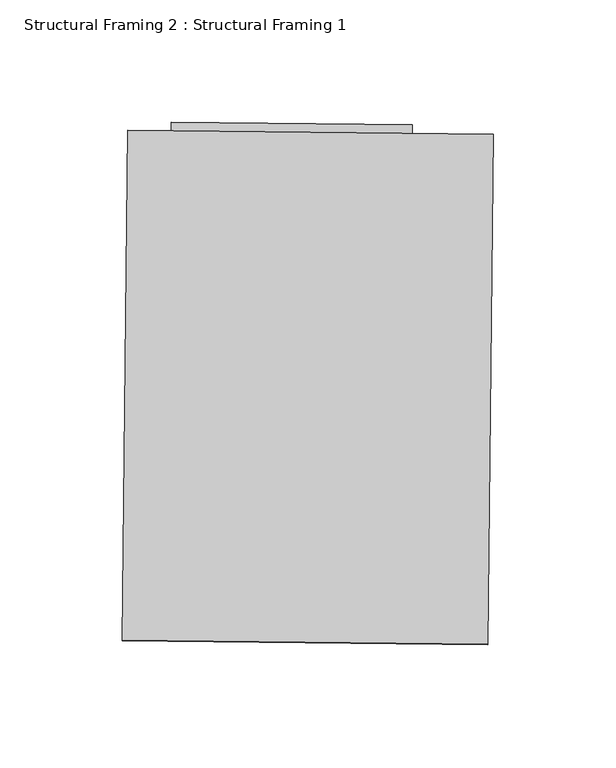
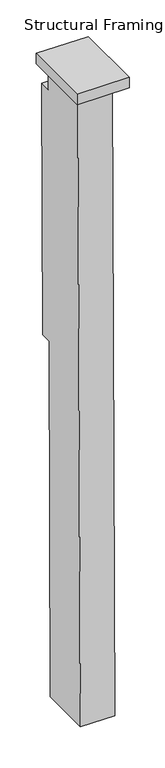
"""IFC4 building model written with IfcOpenShell, lengths in millimetres: beam geometry, Structural Framing 2 : Structural Framing 1."""

import ifcopenshell
import ifcopenshell.guid

model = None  # the IFC model being written
_history = None  # IfcOwnerHistory: only IFC2X3 demands one
_inside = {}  # id of a spatial element -> (the spatial element, [elements in it])
_under = {}  # id of a project, library or spatial element -> (it, [spatial elements below it])
_declared = {}  # id of a project -> (the project, [libraries it declares])
_typed = {}  # id of a type object -> (the type object, [elements of that type])
_made_of = {}  # id of a material, layer set ... -> (it, [elements and type objects made of it])


def new_model(schema):
    """Start an empty IFC model of exactly this schema.

    Asked for "IFC4X3", IfcOpenShell would pick the latest addendum, in which some entities
    have other attributes; the version numbers below select the first issue.
    IFC2X3 requires an IfcOwnerHistory on every rooted entity: one is made here for all.
    """
    global model, _history
    if schema == "IFC4X3":
        model = ifcopenshell.file(schema_version=(4, 3, 0, 0))
    else:
        model = ifcopenshell.file(schema=schema)
    _inside.clear()
    _under.clear()
    _declared.clear()
    _typed.clear()
    _made_of.clear()
    _history = None
    if model.schema == "IFC2X3":
        org = make("IfcOrganization", Name="unknown")
        user = make(
            "IfcPersonAndOrganization",
            ThePerson=make("IfcPerson", FamilyName="unknown"),
            TheOrganization=org,
        )
        app = make(
            "IfcApplication",
            ApplicationDeveloper=org,
            Version="unknown",
            ApplicationFullName="unknown",
            ApplicationIdentifier="unknown",
        )
        _history = make(
            "IfcOwnerHistory",
            OwningUser=user,
            OwningApplication=app,
            ChangeAction="ADDED",
            CreationDate=0,
        )
    return model


def make(cls, **values):
    """One entity of the class cls with the attributes given. An attribute that is None is left unset."""
    return model.create_entity(
        cls, **{name: value for name, value in values.items() if value is not None}
    )


def rooted(cls, **values):
    """An entity with a GlobalId (a new one), such as an element, a storey or a relation."""
    return make(cls, GlobalId=ifcopenshell.guid.new(), OwnerHistory=_history, **values)


def si_unit(unit_type, name, prefix=None):
    """IfcSIUnit, for example si_unit("LENGTHUNIT", "METRE", prefix="MILLI")."""
    return make("IfcSIUnit", UnitType=unit_type, Prefix=prefix, Name=name)


def assignment(units):
    """IfcUnitAssignment: the units of a project."""
    return None if units is None else make("IfcUnitAssignment", Units=units)


def point(xyz):
    """IfcCartesianPoint."""
    return None if xyz is None else make("IfcCartesianPoint", Coordinates=xyz)


def direction(xyz):
    """IfcDirection."""
    return None if xyz is None else make("IfcDirection", DirectionRatios=xyz)


def frame(location, z_axis=None, x_axis=None):
    """IfcAxis2Placement3D, a coordinate frame: its origin and axes. An axis left out is left unset."""
    return make(
        "IfcAxis2Placement3D",
        Location=point(location),
        Axis=direction(z_axis),
        RefDirection=direction(x_axis),
    )


def origin():
    """The frame at (0, 0, 0) with its axes left unset."""
    return frame((0.0, 0.0, 0.0))


def place(relative_to, where):
    """IfcLocalPlacement: puts the frame where relative to a parent placement (None: the world)."""
    return make(
        "IfcLocalPlacement", PlacementRelTo=relative_to, RelativePlacement=where
    )


def context(
    kind, dimensions, precision=None, world=None, true_north=None, identifier=None
):
    """IfcGeometricRepresentationContext, for example the 3D "Model" context."""
    return make(
        "IfcGeometricRepresentationContext",
        ContextIdentifier=identifier,
        ContextType=kind,
        CoordinateSpaceDimension=dimensions,
        Precision=precision,
        WorldCoordinateSystem=world,
        TrueNorth=true_north,
    )


def project(units=None, contexts=None):
    """IfcProject with its units and contexts."""
    return rooted(
        "IfcProject",
        Name="project",
        RepresentationContexts=contexts,
        UnitsInContext=assignment(units),
    )


def spatial(cls, under=None, at=None, **own):
    """A site, building, storey or space (cls), placed at a placement, below another one or the project."""
    s = rooted(cls, ObjectPlacement=at, **own)
    if under is not None:
        _under.setdefault(under.id(), (under, []))[1].append(s)
    return s


def polyline(points):
    """IfcPolyline through the points."""
    return make("IfcPolyline", Points=[point(p) for p in points])


def outline(outer, holes=None, kind="AREA"):
    """IfcArbitraryClosedProfileDef: a profile drawn as a closed curve; with holes, ...WithVoids."""
    if holes is None:
        return make("IfcArbitraryClosedProfileDef", ProfileType=kind, OuterCurve=outer)
    return make(
        "IfcArbitraryProfileDefWithVoids",
        ProfileType=kind,
        OuterCurve=outer,
        InnerCurves=holes,
    )


def extrude(swept, where, along, depth):
    """IfcExtrudedAreaSolid: the profile swept, set in the frame where, extruded along a direction by depth."""
    return make(
        "IfcExtrudedAreaSolid",
        SweptArea=swept,
        Position=where,
        ExtrudedDirection=direction(along),
        Depth=depth,
    )


def shape(context_of_items, identifier, shape_type, items):
    """IfcShapeRepresentation: the items that make up one representation, for example the "Body"."""
    return make(
        "IfcShapeRepresentation",
        ContextOfItems=context_of_items,
        RepresentationIdentifier=identifier,
        RepresentationType=shape_type,
        Items=items,
    )


def source(mapping_origin, context_of_items, identifier, shape_type, items):
    """IfcRepresentationMap: a shape defined once, which mapped items show again and again."""
    return make(
        "IfcRepresentationMap",
        MappingOrigin=mapping_origin,
        MappedRepresentation=shape(context_of_items, identifier, shape_type, items),
    )


def transform(
    local_origin,
    x_axis=None,
    y_axis=None,
    z_axis=None,
    scale=None,
    scale2=None,
    scale3=None,
    uniform=True,
):
    """IfcCartesianTransformationOperator3D, or its non-uniform kind. x_axis, y_axis, z_axis: its Axis1, 2, 3."""
    if uniform:
        return make(
            "IfcCartesianTransformationOperator3D",
            Axis1=direction(x_axis),
            Axis2=direction(y_axis),
            LocalOrigin=point(local_origin),
            Scale=scale,
            Axis3=direction(z_axis),
        )
    return make(
        "IfcCartesianTransformationOperator3DnonUniform",
        Axis1=direction(x_axis),
        Axis2=direction(y_axis),
        LocalOrigin=point(local_origin),
        Scale=scale,
        Axis3=direction(z_axis),
        Scale2=scale2,
        Scale3=scale3,
    )


def mapped(mapping_source, mapping_target):
    """IfcMappedItem: shows the shape of a source again, moved by a transform."""
    return make(
        "IfcMappedItem", MappingSource=mapping_source, MappingTarget=mapping_target
    )


def made_of(thing, what):
    """Note that an element or type object is made of a material, layer set ...; save() writes the relation."""
    if what is not None:
        _made_of.setdefault(what.id(), (what, []))[1].append(thing)
    return thing


def element(
    cls,
    number,
    at=None,
    inside=None,
    cuts=None,
    type_object=None,
    material=None,
    context=None,
    identifier="Body",
    shape_type=None,
    held_by="IfcProductDefinitionShape",
    body=None,
    shapes=None,
    **own,
):
    """One element of the class cls, such as IfcWall. Its Tag is "e" and its number.

    at: its placement. inside: the storey or other place that contains it. cuts: it is an
    opening in that element (IfcRelVoidsElement). A single representation is given by context,
    identifier, shape_type and body (its items); several are given by shapes. held_by: the class
    of the entity that holds the representations. save() writes the other relations.
    """
    e = rooted(cls, Tag="e%d" % number, ObjectPlacement=at, **own)
    if body is not None:
        shapes = [shape(context, identifier, shape_type, body)]
    if shapes is not None:
        e.Representation = make(held_by, Representations=shapes)
    if inside is not None:
        _inside.setdefault(inside.id(), (inside, []))[1].append(e)
    if cuts is not None:
        rooted(
            "IfcRelVoidsElement", RelatingBuildingElement=cuts, RelatedOpeningElement=e
        )
    if type_object is not None:
        _typed.setdefault(type_object.id(), (type_object, []))[1].append(e)
    return made_of(e, material)


def aggregate(whole, parts):
    """IfcRelAggregates: a whole, such as a stair, and the parts it consists of."""
    return rooted("IfcRelAggregates", RelatingObject=whole, RelatedObjects=parts)


def save(model, path):
    """Write the relations noted so far, then the file.

    IfcRelAggregates (storeys below a building ...), IfcRelContainedInSpatialStructure (elements
    in a storey), IfcRelDefinesByType, IfcRelAssociatesMaterial and IfcRelDeclares: one each for
    every whole, place, type object, material and project.
    """
    for whole, parts in _under.values():
        aggregate(whole, parts)
    for where, things in _inside.values():
        rooted(
            "IfcRelContainedInSpatialStructure",
            RelatedElements=things,
            RelatingStructure=where,
        )
    for kind, things in _typed.values():
        rooted("IfcRelDefinesByType", RelatedObjects=things, RelatingType=kind)
    for what, things in _made_of.values():
        rooted("IfcRelAssociatesMaterial", RelatedObjects=things, RelatingMaterial=what)
    for by, libraries in _declared.values():
        rooted("IfcRelDeclares", RelatingContext=by, RelatedDefinitions=libraries)
    model.write(path)


def structural_framing_2_structural_framing_1_f9775c6e(model_context):
    return source(origin(), model_context, "Body", "SweptSolid", [
        extrude(outline(polyline([(0.0, -208.6811389), (0.0, 0.0), (149.5669345, 0.0), (149.5669345, -208.681139), (0.0, -208.6811389)])), frame((-40926.6359128, 41986.1355504, 110256.5712367), z_axis=(0.00010552772321401842, 0.009478823718828341, 0.9999550693730229), x_axis=(0.9999380339406204, -0.011132307890403391, 0.0)), (0.0, 0.0, 1.0), 31.4066945),
        extrude(outline(polyline([(-3.6035446, 0.0), (-1.0204435, -154.5533558), (-1087.2630127, -152.9533507), (-1087.4823822, -184.7471984), (-1854.9911732, -184.6684859), (-1854.7645466, -151.8228424), (-1931.1024064, -151.7103989), (-1929.8186734, -1e-07), (-3.6035446, 0.0)])), frame((-40812.5485853, 41791.1111894, 108334.7105192), z_axis=(-0.9999380339406204, 0.011132307890417246, 0.0), x_axis=(-7.680826888811452e-05, -0.006899154257894417, -0.9999761976022308)), (0.0, 0.0, 1.0), 98.4627769),
    ])


if __name__ == "__main__":
    model = new_model("IFC4")
    model_context = context("Model", 3, world=origin())
    ifc_project = project(units=[si_unit("LENGTHUNIT", "METRE", prefix="MILLI")], contexts=[model_context])
    site = spatial("IfcSite", under=ifc_project)
    building = spatial("IfcBuilding", under=site)
    placement = place(None, origin())
    structural_framing_2_structural_framing_1_shape = structural_framing_2_structural_framing_1_f9775c6e(model_context)
    element("IfcBeam", 1, ObjectType="Structural Framing 2 : Structural Framing 1", at=placement, inside=building, context=model_context, shape_type="MappedRepresentation", body=[
        mapped(structural_framing_2_structural_framing_1_shape, transform((0.0, 0.0, 0.0), x_axis=(1.0, 0.0, 0.0), y_axis=(0.0, 1.0, 0.0), z_axis=(0.0, 0.0, 1.0))),
    ])
    save(model, "model.ifc")
